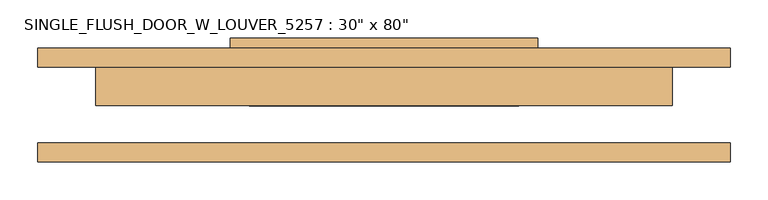
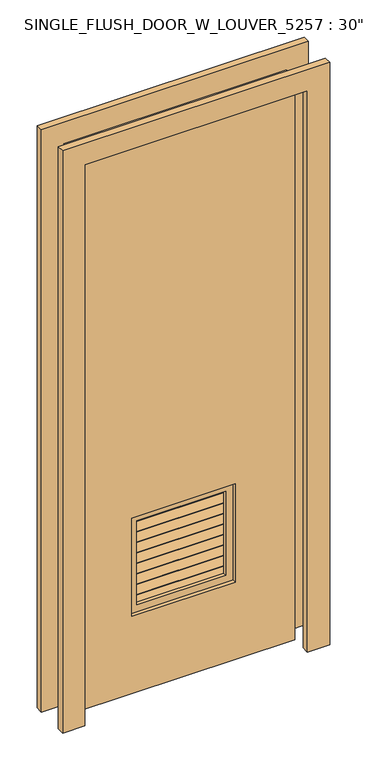
"""IFC4 building model written with IfcOpenShell, lengths in millimetres: door geometry."""

from ifc_helpers import new_model, si_unit, frame, origin, place, context, project, spatial, polyline, outline, extrude, source, transform, mapped, element, save


def door_2c6c28ce(model_context):
    return source(origin(), model_context, "Body", "SweptSolid", [
        extrude(outline(polyline([(0.0, 0.0), (12.7, 0.0), (12.7, -355.6), (0.0, -355.6), (0.0, 0.0)])), frame((-177.8, 28.3493597, 291.4001637), z_axis=(0.0, 0.7071067811865573, 0.7071067811865378), x_axis=(0.0, 0.7071067811865378, -0.7071067811865573)), (0.0, 0.0, 1.0), 50.8),
        extrude(outline(polyline([(0.0, 0.0), (12.7, 0.0), (12.7, -355.6), (0.0, -355.6), (0.0, 0.0)])), frame((-177.8, 28.3493597, 329.5001637), z_axis=(0.0, 0.7071067811865573, 0.7071067811865378), x_axis=(0.0, 0.7071067811865378, -0.7071067811865573)), (0.0, 0.0, 1.0), 50.8),
        extrude(outline(polyline([(0.0, 0.0), (12.7, 0.0), (12.7, -355.6), (0.0, -355.6), (0.0, 0.0)])), frame((-177.8, 28.3493597, 367.6001637), z_axis=(0.0, 0.7071067811865573, 0.7071067811865378), x_axis=(0.0, 0.7071067811865378, -0.7071067811865573)), (0.0, 0.0, 1.0), 50.8),
        extrude(outline(polyline([(0.0, 0.0), (12.7, 0.0), (12.7, -355.6), (0.0, -355.6), (0.0, 0.0)])), frame((-177.8, 28.3493597, 405.7001637), z_axis=(0.0, 0.7071067811865573, 0.7071067811865378), x_axis=(0.0, 0.7071067811865378, -0.7071067811865573)), (0.0, 0.0, 1.0), 50.8),
        extrude(outline(polyline([(0.0, 0.0), (12.7, 0.0), (12.7, -355.6), (0.0, -355.6), (0.0, 0.0)])), frame((-177.8, 28.3493597, 443.8001637), z_axis=(0.0, 0.7071067811865573, 0.7071067811865378), x_axis=(0.0, 0.7071067811865378, -0.7071067811865573)), (0.0, 0.0, 1.0), 50.8),
        extrude(outline(polyline([(0.0, 0.0), (12.7, 0.0), (12.7, -355.6), (0.0, -355.6), (0.0, 0.0)])), frame((-177.8, 28.3493597, 481.9001637), z_axis=(0.0, 0.7071067811865573, 0.7071067811865378), x_axis=(0.0, 0.7071067811865378, -0.7071067811865573)), (0.0, 0.0, 1.0), 50.8),
        extrude(outline(polyline([(0.0, 0.0), (12.7, 0.0), (12.7, -355.6), (0.0, -355.6), (0.0, 0.0)])), frame((-177.8, 28.3493597, 520.0001637), z_axis=(0.0, 0.7071067811865573, 0.7071067811865378), x_axis=(0.0, 0.7071067811865378, -0.7071067811865573)), (0.0, 0.0, 1.0), 50.8),
        extrude(outline(polyline([(0.0, 0.0), (12.7, 0.0), (12.7, -355.6), (0.0, -355.6), (0.0, 0.0)])), frame((-177.8, 28.3493597, 558.1001637), z_axis=(0.0, 0.7071067811865573, 0.7071067811865378), x_axis=(0.0, 0.7071067811865378, -0.7071067811865573)), (0.0, 0.0, 1.0), 50.8),
        extrude(outline(polyline([(0.0, 0.0), (12.7, 0.0), (12.7, -355.6), (0.0, -355.6), (0.0, 0.0)])), frame((-177.8, 28.3493597, 596.2001637), z_axis=(0.0, 0.7071067811865573, 0.7071067811865378), x_axis=(0.0, 0.7071067811865378, -0.7071067811865573)), (0.0, 0.0, 1.0), 50.8),
        extrude(outline(polyline([(660.4, 203.2), (660.4, -203.2), (254.0, -203.2), (254.0, 203.2), (660.4, 203.2)]), holes=[polyline([(609.6, 152.4), (304.8, 152.4), (304.8, -152.4), (609.6, -152.4), (609.6, 152.4)])]), frame((0.0, 12.7, 0.0), z_axis=(0.0, 1.0, 0.0), x_axis=(0.0, 0.0, 1.0)), (0.0, 0.0, 1.0), 12.7),
        extrude(outline(polyline([(660.4, 203.2), (660.4, -203.2), (254.0, -203.2), (254.0, 203.2), (660.4, 203.2)]), holes=[polyline([(609.6, 152.4), (304.8, 152.4), (304.8, -152.4), (609.6, -152.4), (609.6, 152.4)])]), frame((0.0, 76.2, 0.0), z_axis=(0.0, 1.0, 0.0), x_axis=(0.0, 0.0, 1.0)), (0.0, 0.0, 1.0), 12.7),
        extrude(outline(polyline([(2108.2, -457.2), (0.0, -457.2), (0.0, -381.0), (2032.0, -381.0), (2032.0, 381.0), (0.0, 381.0), (0.0, 457.2), (2108.2, 457.2), (2108.2, -457.2)])), frame((0.0, 50.0, 0.0), z_axis=(0.0, 1.0, 0.0), x_axis=(0.0, 0.0, 1.0)), (0.0, 0.0, 1.0), 25.4),
        extrude(outline(polyline([(2108.2, 457.2), (2108.2, -457.2), (0.0, -457.2), (0.0, -381.0), (2032.0, -381.0), (2032.0, 381.0), (0.0, 381.0), (0.0, 457.2), (2108.2, 457.2)])), frame((0.0, -75.4, 0.0), z_axis=(0.0, 1.0, 0.0), x_axis=(0.0, 0.0, 1.0)), (0.0, 0.0, 1.0), 25.4),
        extrude(outline(polyline([(2032.0, 381.0), (2032.0, -381.0), (0.0, -381.0), (0.0, 381.0), (2032.0, 381.0)]), holes=[polyline([(635.0, 177.8), (279.4, 177.8), (279.4, -177.8), (635.0, -177.8), (635.0, 177.8)])]), frame((0.0, -0.8, 0.0), z_axis=(0.0, 1.0, 0.0), x_axis=(0.0, 0.0, 1.0)), (0.0, 0.0, 1.0), 50.8),
    ])


if __name__ == "__main__":
    model = new_model("IFC4")
    model_context = context("Model", 3, world=origin())
    ifc_project = project(units=[si_unit("LENGTHUNIT", "METRE", prefix="MILLI")], contexts=[model_context])
    site = spatial("IfcSite", under=ifc_project)
    building = spatial("IfcBuilding", under=site)
    placement = place(None, origin())
    door_shape = door_2c6c28ce(model_context)
    element("IfcDoor", 1, ObjectType="SINGLE_FLUSH_DOOR_W_LOUVER_5257 : 30\" x 80\"", at=placement, inside=building, context=model_context, shape_type="MappedRepresentation", body=[
        mapped(door_shape, transform((0.0, 0.0, 0.0), x_axis=(1.0, 0.0, 0.0), y_axis=(0.0, 1.0, 0.0), z_axis=(0.0, 0.0, 1.0))),
    ])
    save(model, "model.ifc")
